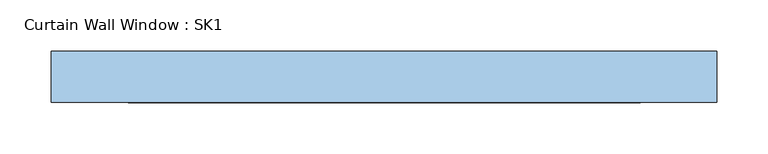
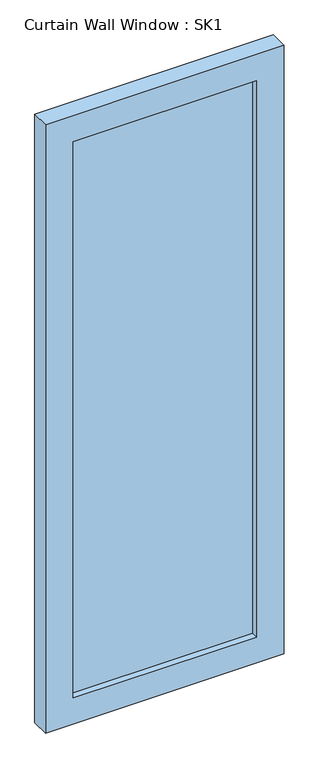
"""IFC4 building model written with IfcOpenShell, lengths in millimetres: window geometry, Curtain Wall Window : SK1."""

import ifcopenshell
import ifcopenshell.guid

model = None  # the IFC model being written
_history = None  # IfcOwnerHistory: only IFC2X3 demands one
_inside = {}  # id of a spatial element -> (the spatial element, [elements in it])
_under = {}  # id of a project, library or spatial element -> (it, [spatial elements below it])
_declared = {}  # id of a project -> (the project, [libraries it declares])
_typed = {}  # id of a type object -> (the type object, [elements of that type])
_made_of = {}  # id of a material, layer set ... -> (it, [elements and type objects made of it])


def new_model(schema):
    """Start an empty IFC model of exactly this schema.

    Asked for "IFC4X3", IfcOpenShell would pick the latest addendum, in which some entities
    have other attributes; the version numbers below select the first issue.
    IFC2X3 requires an IfcOwnerHistory on every rooted entity: one is made here for all.
    """
    global model, _history
    if schema == "IFC4X3":
        model = ifcopenshell.file(schema_version=(4, 3, 0, 0))
    else:
        model = ifcopenshell.file(schema=schema)
    _inside.clear()
    _under.clear()
    _declared.clear()
    _typed.clear()
    _made_of.clear()
    _history = None
    if model.schema == "IFC2X3":
        org = make("IfcOrganization", Name="unknown")
        user = make(
            "IfcPersonAndOrganization",
            ThePerson=make("IfcPerson", FamilyName="unknown"),
            TheOrganization=org,
        )
        app = make(
            "IfcApplication",
            ApplicationDeveloper=org,
            Version="unknown",
            ApplicationFullName="unknown",
            ApplicationIdentifier="unknown",
        )
        _history = make(
            "IfcOwnerHistory",
            OwningUser=user,
            OwningApplication=app,
            ChangeAction="ADDED",
            CreationDate=0,
        )
    return model


def make(cls, **values):
    """One entity of the class cls with the attributes given. An attribute that is None is left unset."""
    return model.create_entity(
        cls, **{name: value for name, value in values.items() if value is not None}
    )


def rooted(cls, **values):
    """An entity with a GlobalId (a new one), such as an element, a storey or a relation."""
    return make(cls, GlobalId=ifcopenshell.guid.new(), OwnerHistory=_history, **values)


def si_unit(unit_type, name, prefix=None):
    """IfcSIUnit, for example si_unit("LENGTHUNIT", "METRE", prefix="MILLI")."""
    return make("IfcSIUnit", UnitType=unit_type, Prefix=prefix, Name=name)


def assignment(units):
    """IfcUnitAssignment: the units of a project."""
    return None if units is None else make("IfcUnitAssignment", Units=units)


def point(xyz):
    """IfcCartesianPoint."""
    return None if xyz is None else make("IfcCartesianPoint", Coordinates=xyz)


def direction(xyz):
    """IfcDirection."""
    return None if xyz is None else make("IfcDirection", DirectionRatios=xyz)


def frame(location, z_axis=None, x_axis=None):
    """IfcAxis2Placement3D, a coordinate frame: its origin and axes. An axis left out is left unset."""
    return make(
        "IfcAxis2Placement3D",
        Location=point(location),
        Axis=direction(z_axis),
        RefDirection=direction(x_axis),
    )


def origin():
    """The frame at (0, 0, 0) with its axes left unset."""
    return frame((0.0, 0.0, 0.0))


def place(relative_to, where):
    """IfcLocalPlacement: puts the frame where relative to a parent placement (None: the world)."""
    return make(
        "IfcLocalPlacement", PlacementRelTo=relative_to, RelativePlacement=where
    )


def context(
    kind, dimensions, precision=None, world=None, true_north=None, identifier=None
):
    """IfcGeometricRepresentationContext, for example the 3D "Model" context."""
    return make(
        "IfcGeometricRepresentationContext",
        ContextIdentifier=identifier,
        ContextType=kind,
        CoordinateSpaceDimension=dimensions,
        Precision=precision,
        WorldCoordinateSystem=world,
        TrueNorth=true_north,
    )


def project(units=None, contexts=None):
    """IfcProject with its units and contexts."""
    return rooted(
        "IfcProject",
        Name="project",
        RepresentationContexts=contexts,
        UnitsInContext=assignment(units),
    )


def spatial(cls, under=None, at=None, **own):
    """A site, building, storey or space (cls), placed at a placement, below another one or the project."""
    s = rooted(cls, ObjectPlacement=at, **own)
    if under is not None:
        _under.setdefault(under.id(), (under, []))[1].append(s)
    return s


def polyline(points):
    """IfcPolyline through the points."""
    return make("IfcPolyline", Points=[point(p) for p in points])


def outline(outer, holes=None, kind="AREA"):
    """IfcArbitraryClosedProfileDef: a profile drawn as a closed curve; with holes, ...WithVoids."""
    if holes is None:
        return make("IfcArbitraryClosedProfileDef", ProfileType=kind, OuterCurve=outer)
    return make(
        "IfcArbitraryProfileDefWithVoids",
        ProfileType=kind,
        OuterCurve=outer,
        InnerCurves=holes,
    )


def extrude(swept, where, along, depth):
    """IfcExtrudedAreaSolid: the profile swept, set in the frame where, extruded along a direction by depth."""
    return make(
        "IfcExtrudedAreaSolid",
        SweptArea=swept,
        Position=where,
        ExtrudedDirection=direction(along),
        Depth=depth,
    )


def shape(context_of_items, identifier, shape_type, items):
    """IfcShapeRepresentation: the items that make up one representation, for example the "Body"."""
    return make(
        "IfcShapeRepresentation",
        ContextOfItems=context_of_items,
        RepresentationIdentifier=identifier,
        RepresentationType=shape_type,
        Items=items,
    )


def source(mapping_origin, context_of_items, identifier, shape_type, items):
    """IfcRepresentationMap: a shape defined once, which mapped items show again and again."""
    return make(
        "IfcRepresentationMap",
        MappingOrigin=mapping_origin,
        MappedRepresentation=shape(context_of_items, identifier, shape_type, items),
    )


def transform(
    local_origin,
    x_axis=None,
    y_axis=None,
    z_axis=None,
    scale=None,
    scale2=None,
    scale3=None,
    uniform=True,
):
    """IfcCartesianTransformationOperator3D, or its non-uniform kind. x_axis, y_axis, z_axis: its Axis1, 2, 3."""
    if uniform:
        return make(
            "IfcCartesianTransformationOperator3D",
            Axis1=direction(x_axis),
            Axis2=direction(y_axis),
            LocalOrigin=point(local_origin),
            Scale=scale,
            Axis3=direction(z_axis),
        )
    return make(
        "IfcCartesianTransformationOperator3DnonUniform",
        Axis1=direction(x_axis),
        Axis2=direction(y_axis),
        LocalOrigin=point(local_origin),
        Scale=scale,
        Axis3=direction(z_axis),
        Scale2=scale2,
        Scale3=scale3,
    )


def mapped(mapping_source, mapping_target):
    """IfcMappedItem: shows the shape of a source again, moved by a transform."""
    return make(
        "IfcMappedItem", MappingSource=mapping_source, MappingTarget=mapping_target
    )


def made_of(thing, what):
    """Note that an element or type object is made of a material, layer set ...; save() writes the relation."""
    if what is not None:
        _made_of.setdefault(what.id(), (what, []))[1].append(thing)
    return thing


def element(
    cls,
    number,
    at=None,
    inside=None,
    cuts=None,
    type_object=None,
    material=None,
    context=None,
    identifier="Body",
    shape_type=None,
    held_by="IfcProductDefinitionShape",
    body=None,
    shapes=None,
    **own,
):
    """One element of the class cls, such as IfcWall. Its Tag is "e" and its number.

    at: its placement. inside: the storey or other place that contains it. cuts: it is an
    opening in that element (IfcRelVoidsElement). A single representation is given by context,
    identifier, shape_type and body (its items); several are given by shapes. held_by: the class
    of the entity that holds the representations. save() writes the other relations.
    """
    e = rooted(cls, Tag="e%d" % number, ObjectPlacement=at, **own)
    if body is not None:
        shapes = [shape(context, identifier, shape_type, body)]
    if shapes is not None:
        e.Representation = make(held_by, Representations=shapes)
    if inside is not None:
        _inside.setdefault(inside.id(), (inside, []))[1].append(e)
    if cuts is not None:
        rooted(
            "IfcRelVoidsElement", RelatingBuildingElement=cuts, RelatedOpeningElement=e
        )
    if type_object is not None:
        _typed.setdefault(type_object.id(), (type_object, []))[1].append(e)
    return made_of(e, material)


def aggregate(whole, parts):
    """IfcRelAggregates: a whole, such as a stair, and the parts it consists of."""
    return rooted("IfcRelAggregates", RelatingObject=whole, RelatedObjects=parts)


def save(model, path):
    """Write the relations noted so far, then the file.

    IfcRelAggregates (storeys below a building ...), IfcRelContainedInSpatialStructure (elements
    in a storey), IfcRelDefinesByType, IfcRelAssociatesMaterial and IfcRelDeclares: one each for
    every whole, place, type object, material and project.
    """
    for whole, parts in _under.values():
        aggregate(whole, parts)
    for where, things in _inside.values():
        rooted(
            "IfcRelContainedInSpatialStructure",
            RelatedElements=things,
            RelatingStructure=where,
        )
    for kind, things in _typed.values():
        rooted("IfcRelDefinesByType", RelatedObjects=things, RelatingType=kind)
    for what, things in _made_of.values():
        rooted("IfcRelAssociatesMaterial", RelatedObjects=things, RelatingMaterial=what)
    for by, libraries in _declared.values():
        rooted("IfcRelDeclares", RelatingContext=by, RelatedDefinitions=libraries)
    model.write(path)


def curtain_wall_window_sk1_fdb53bf2(model_context):
    return source(origin(), model_context, "Body", "SweptSolid", [
        extrude(outline(polyline([(250.0, -44.05), (250.0, -56.75), (-250.0, -56.75), (-250.0, -44.05), (250.0, -44.05)])), frame((0.0, 0.0, 75.0), z_axis=(0.0, 0.0, 1.0), x_axis=(1.0, 0.0, 0.0)), (0.0, 0.0, 1.0), 1600.0),
        extrude(outline(polyline([(1750.0, -325.0), (0.0, -325.0), (0.0, 325.0), (1750.0, 325.0), (1750.0, -325.0)]), holes=[polyline([(1675.0, -250.0), (1675.0, 250.0), (75.0, 250.0), (75.0, -250.0), (1675.0, -250.0)])]), frame((0.0, -75.0, 0.0), z_axis=(0.0, 1.0, 0.0), x_axis=(0.0, 0.0, 1.0)), (0.0, 0.0, 1.0), 50.0),
    ])


if __name__ == "__main__":
    model = new_model("IFC4")
    model_context = context("Model", 3, world=origin())
    ifc_project = project(units=[si_unit("LENGTHUNIT", "METRE", prefix="MILLI")], contexts=[model_context])
    site = spatial("IfcSite", under=ifc_project)
    building = spatial("IfcBuilding", under=site)
    placement = place(None, origin())
    curtain_wall_window_sk1_shape = curtain_wall_window_sk1_fdb53bf2(model_context)
    element("IfcWindow", 1, ObjectType="Curtain Wall Window : SK1", at=placement, inside=building, context=model_context, shape_type="MappedRepresentation", body=[
        mapped(curtain_wall_window_sk1_shape, transform((0.0, 0.0, 0.0), x_axis=(1.0, 0.0, 0.0), y_axis=(0.0, 1.0, 0.0), z_axis=(0.0, 0.0, 1.0))),
    ])
    save(model, "model.ifc")
